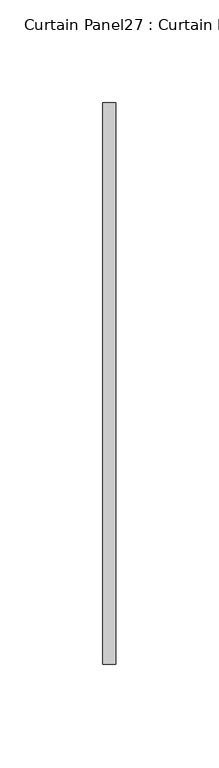
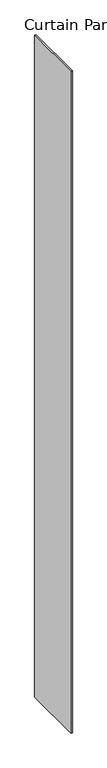
"""IFC4 building model written with IfcOpenShell, lengths in millimetres: plate geometry, Curtain Panel27 : Curtain Panel."""

from ifc_helpers import new_model, si_unit, origin, origin_with_axes, place, context, project, spatial, polyline, outline, extrude, source, transform, mapped, element, save


def curtain_panel27_curtain_panel_ba8a44e1(model_context):
    return source(origin(), model_context, "Body", "SweptSolid", [
        extrude(outline(polyline([(311248.2453079, 2602.3596426), (311248.2453079, 2329.3096426), (311241.8953079, 2329.3096426), (311241.8953079, 2602.3596426), (311248.2453079, 2602.3596426)])), origin_with_axes(), (0.0, 0.0, 1.0), 3048.0),
    ])


if __name__ == "__main__":
    model = new_model("IFC4")
    model_context = context("Model", 3, world=origin())
    ifc_project = project(units=[si_unit("LENGTHUNIT", "METRE", prefix="MILLI")], contexts=[model_context])
    site = spatial("IfcSite", under=ifc_project)
    building = spatial("IfcBuilding", under=site)
    placement = place(None, origin())
    curtain_panel27_curtain_panel_shape = curtain_panel27_curtain_panel_ba8a44e1(model_context)
    element("IfcPlate", 1, ObjectType="Curtain Panel27 : Curtain Panel", at=placement, inside=building, context=model_context, shape_type="MappedRepresentation", body=[
        mapped(curtain_panel27_curtain_panel_shape, transform((0.0, 0.0, 0.0), x_axis=(1.0, 0.0, 0.0), y_axis=(0.0, 1.0, 0.0), z_axis=(0.0, 0.0, 1.0))),
    ])
    save(model, "model.ifc")
